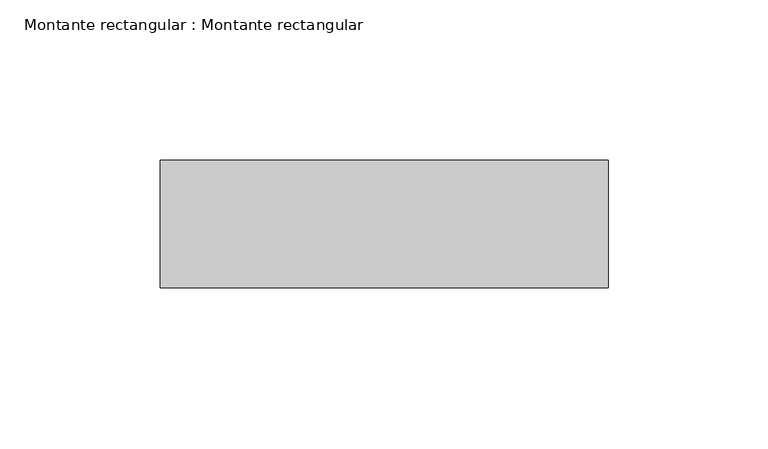
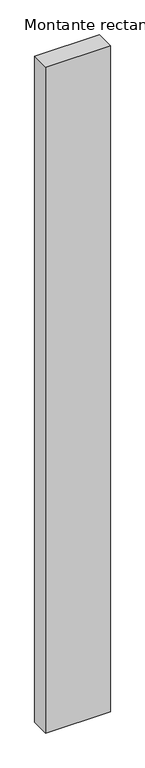
"""IFC4 building model written with IfcOpenShell, lengths in millimetres: member geometry, Montante rectangular : Montante rectangular."""

from ifc_helpers import new_model, si_unit, frame, origin, place, context, project, spatial, polyline, outline, extrude, source, transform, mapped, element, save


def montante_rectangular_montante_rectangular_d2bf805d(model_context):
    return source(origin(), model_context, "Body", "SweptSolid", [
        extrude(outline(polyline([(-140.0, -4.614603), (0.0, -4.614603), (0.0, -44.614603), (-140.0, -44.614603), (-140.0, -4.614603)])), frame((0.0, 0.0, -1519.2228533), z_axis=(0.0, 0.0, 1.0), x_axis=(1.0, 0.0, 0.0)), (0.0, 0.0, 1.0), 1519.2228533),
    ])


if __name__ == "__main__":
    model = new_model("IFC4")
    model_context = context("Model", 3, world=origin())
    ifc_project = project(units=[si_unit("LENGTHUNIT", "METRE", prefix="MILLI")], contexts=[model_context])
    site = spatial("IfcSite", under=ifc_project)
    building = spatial("IfcBuilding", under=site)
    placement = place(None, origin())
    montante_rectangular_montante_rectangular_shape = montante_rectangular_montante_rectangular_d2bf805d(model_context)
    element("IfcMember", 1, ObjectType="Montante rectangular : Montante rectangular", at=placement, inside=building, context=model_context, shape_type="MappedRepresentation", body=[
        mapped(montante_rectangular_montante_rectangular_shape, transform((0.0, 0.0, 0.0), x_axis=(1.0, 0.0, 0.0), y_axis=(0.0, 1.0, 0.0), z_axis=(0.0, 0.0, 1.0))),
    ])
    save(model, "model.ifc")
